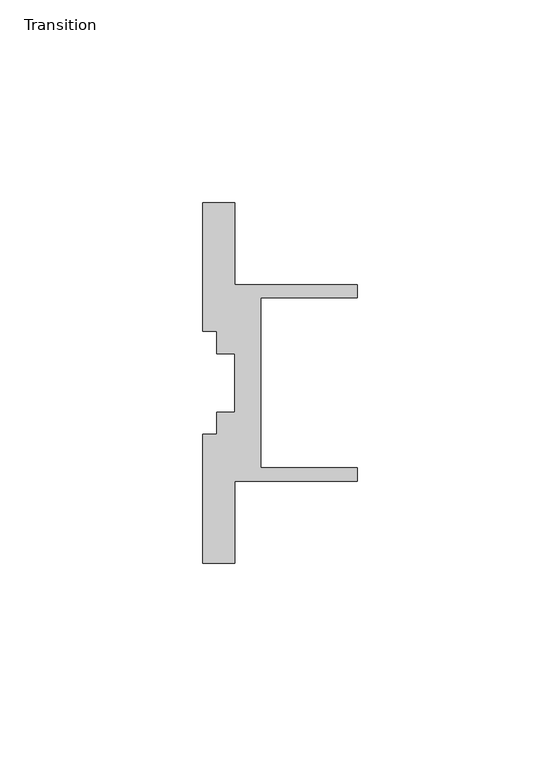
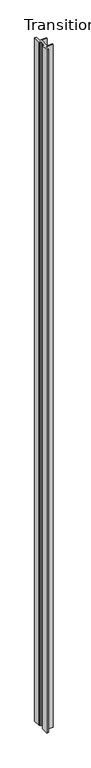
"""IFC4 building model written with IfcOpenShell, lengths in millimetres: furniture geometry, Transition."""

from ifc_helpers import new_model, si_unit, origin, origin_with_axes, place, context, project, spatial, polyline, outline, extrude, source, transform, mapped, element, save


def transition_0cc752f3(model_context):
    return source(origin(), model_context, "Body", "SweptSolid", [
        extrude(outline(polyline([(37.9146531, 39.7518058), (68.0771531, 39.7518058), (68.0771531, 36.4518057), (44.2646531, 36.4518057), (44.2646531, -5.4481956), (68.0771531, -5.4481956), (68.0771531, -8.7481957), (37.9146531, -8.7481957), (37.9146531, -28.948195), (29.9771531, -28.948195), (29.9771531, 2.8018046), (33.4771533, 2.8018046), (33.4771533, 8.3018048), (37.9146531, 8.3018048), (37.9146531, 22.7018053), (33.4771533, 22.7018053), (33.4771533, 28.2018055), (29.9771531, 28.2018055), (29.9771531, 59.951805), (37.9146531, 59.951805), (37.9146531, 39.7518058)])), origin_with_axes(), (0.0, 0.0, 1.0), 3048.0),
    ])


if __name__ == "__main__":
    model = new_model("IFC4")
    model_context = context("Model", 3, world=origin())
    ifc_project = project(units=[si_unit("LENGTHUNIT", "METRE", prefix="MILLI")], contexts=[model_context])
    site = spatial("IfcSite", under=ifc_project)
    building = spatial("IfcBuilding", under=site)
    placement = place(None, origin())
    transition_shape = transition_0cc752f3(model_context)
    element("IfcFurniture", 1, ObjectType="Transition", at=placement, inside=building, context=model_context, shape_type="MappedRepresentation", body=[
        mapped(transition_shape, transform((0.0, 0.0, 0.0), x_axis=(1.0, 0.0, 0.0), y_axis=(0.0, 1.0, 0.0), z_axis=(0.0, 0.0, 1.0))),
    ])
    save(model, "model.ifc")
